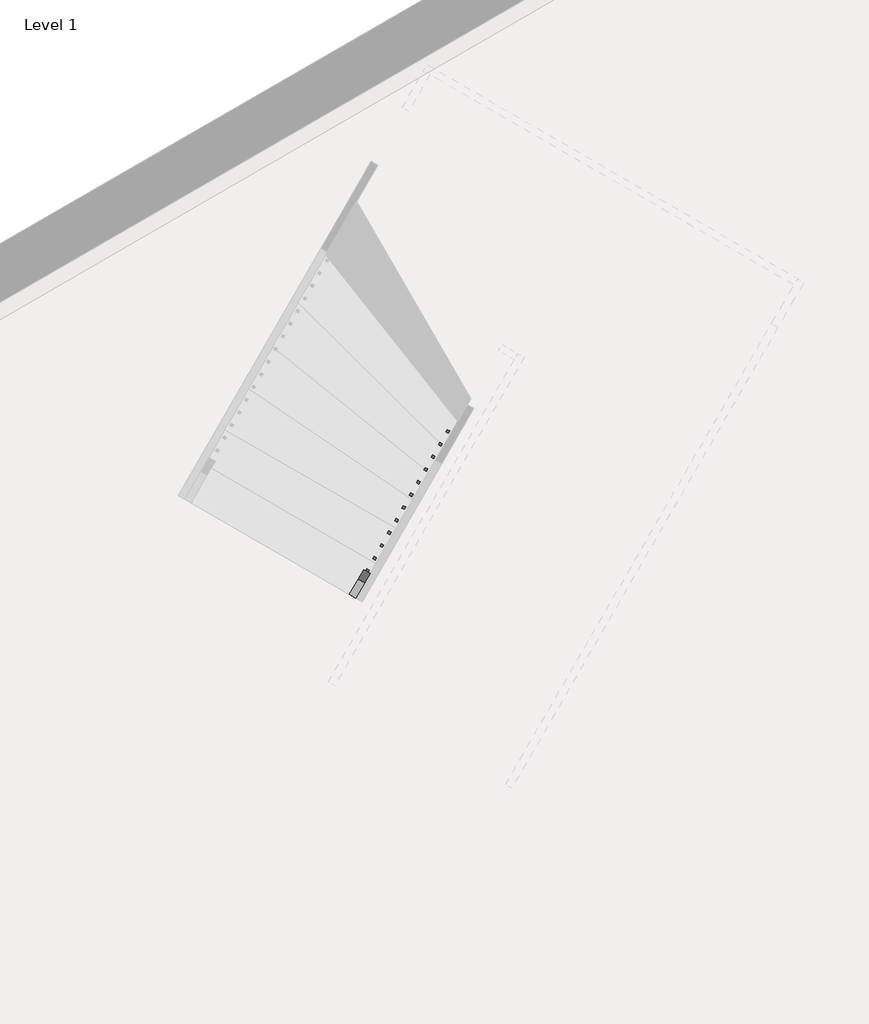
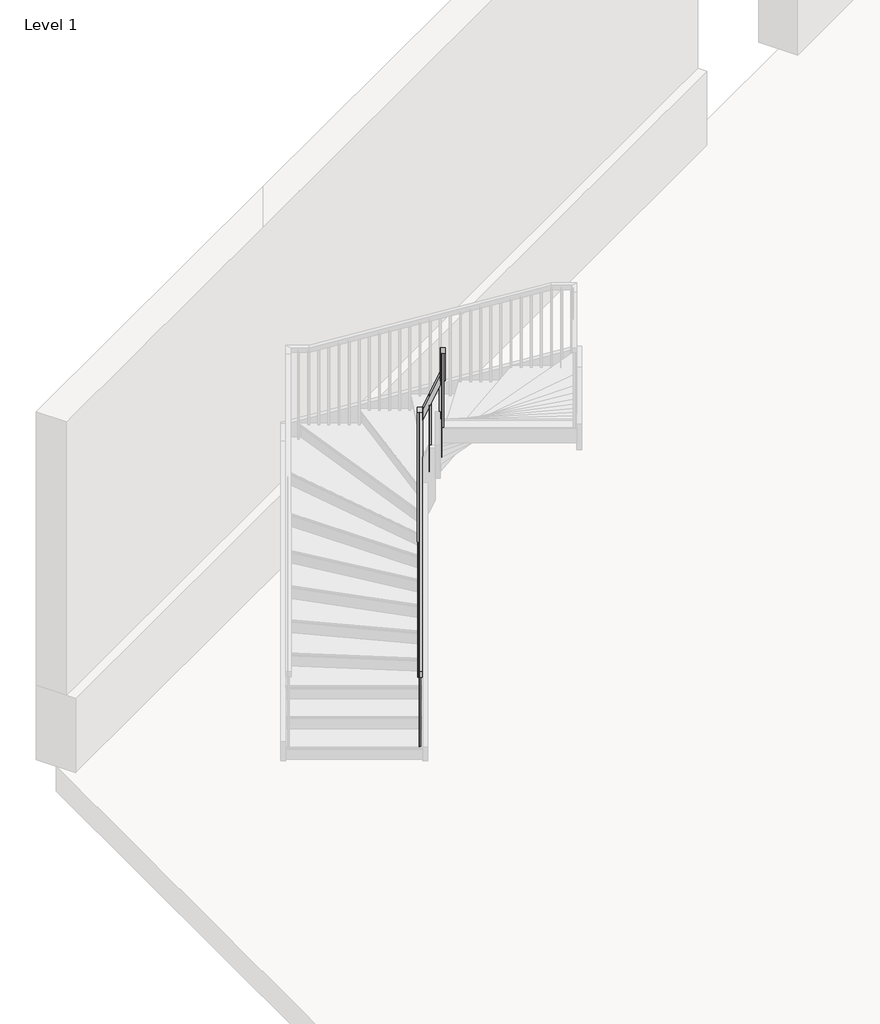
# One storey, part 5 of 6: 1 railing.
"""IFC4 building model written with IfcOpenShell, lengths in millimetres."""

from ifc_helpers import new_model, si_unit, frame, origin, place, context, project, spatial, polyline, outline, extrude, faceted_brep, element, save

model = new_model("IFC4")

# Units and contexts
model_context = context("Model", 3, world=origin())
ifc_project = project(units=[si_unit("LENGTHUNIT", "METRE", prefix="MILLI")], contexts=[model_context])

# Site, building, storey
site = spatial("IfcSite", under=ifc_project)
building = spatial("IfcBuilding", under=site)
storey = spatial("IfcBuildingStorey", under=building, Name="Level 1", Elevation=3048.0)

# Railing
placement = place(None, origin())
element("IfcRailing", 1, ObjectType="Handrail - Rectangular", at=placement, inside=storey, context=model_context, shape_type="SolidModel", body=[
    faceted_brep([(34014.7445548, -105247.8810454, 4138.2461538), (34014.7445548, -105247.8810454, 4070.1256213), (34058.7429103, -105273.2736568, 4070.1256213), (34058.7429103, -105273.2736568, 4138.2461538), (35013.3994654, -103517.4889589, 5923.1594253), (35023.0902639, -103500.6974918, 5872.3594253), (35067.0886194, -103526.0901032, 5872.3594253), (35057.3978209, -103542.8815702, 5923.1594253), (35056.3396329, -103443.0855535, 5923.1594253), (35100.3379884, -103468.4781649, 5923.1594253), (35100.3379884, -103468.4781649, 5872.3594253), (35056.3396329, -103443.0855535, 5872.3594253)], [[[0, 1, 2, 3]], [[1, 0, 4, 5]], [[2, 1, 5, 6]], [[3, 2, 6, 7]], [[0, 3, 7, 4]], [[8, 9, 10, 11]], [[5, 4, 8, 11]], [[6, 5, 11, 10]], [[7, 6, 10, 9]], [[4, 7, 9, 8]]]),
    faceted_brep([(35100.3379884, -103468.4781649, 5931.1386609), (35100.3379884, -103468.4781649, 5797.0722071), (35074.945377, -103512.4765204, 5797.0722071), (35074.945377, -103512.4765204, 5931.1386609), (35253.2433824, -103556.7239005, 6362.3105625), (35227.850771, -103600.722256, 6362.3105625), (35227.850771, -103600.722256, 6228.2441087), (35253.2433824, -103556.7239005, 6228.2441087)], [[[0, 1, 2, 3]], [[4, 5, 6, 7]], [[1, 0, 4, 7]], [[2, 1, 7, 6]], [[3, 2, 6, 5]], [[0, 3, 5, 4]]]),
    faceted_brep([(33954.6873083, -105908.39112, 8534.4), (33910.6889528, -105882.9985087, 8534.4), (33910.6889528, -105882.9985087, 8468.3438014), (33954.6873083, -105908.39112, 8468.3438014), (35244.9274311, -103672.7627016, 6322.924312), (35254.1024011, -103656.8650222, 6373.724312), (35200.9290756, -103647.3700902, 6322.924312), (35210.1040456, -103631.4724108, 6373.724312), (35297.2417379, -103582.1165118, 6373.724312), (35297.2417379, -103582.1165118, 6322.924312), (35253.2433824, -103556.7239005, 6322.924312), (35253.2433824, -103556.7239005, 6373.724312)], [[[0, 1, 2, 3]], [[4, 5, 0, 3]], [[6, 4, 3, 2]], [[7, 6, 2, 1]], [[5, 7, 1, 0]], [[8, 9, 10, 11]], [[9, 8, 5, 4]], [[10, 9, 4, 6]], [[11, 10, 6, 7]], [[8, 11, 7, 5]]]),
    extrude(outline(polyline([(236.5168117, -19.05), (220.6831883, 0.0), (1237.0891849, 0.0), (1237.0891849, -19.05), (236.5168117, -19.05)])), frame((33945.6190399, -105892.3446766, 8681.2430311), z_axis=(-0.8661093604012476, 0.4998545546709981, 0.0), x_axis=(0.0, 0.0, -1.0)), (0.0, 0.0, 1.0), 19.05),
    extrude(outline(polyline([(236.5168117, -19.05), (220.6831882, 0.0), (1152.6431932, 0.0), (1152.6431932, -19.05), (236.5168117, -19.05)])), frame((33996.4042626, -105804.3479656, 8596.7970394), z_axis=(-0.8661093604012476, 0.4998545546709981, 0.0), x_axis=(0.0, 0.0, -1.0)), (0.0, 0.0, 1.0), 19.05),
    extrude(outline(polyline([(236.5168118, -19.05), (220.6831883, 0.0), (1068.1972016, 0.0), (1068.1972016, -19.05), (236.5168118, -19.05)])), frame((34047.1894854, -105716.3512546, 8512.3510478), z_axis=(-0.8661093604012476, 0.4998545546709981, 0.0), x_axis=(0.0, 0.0, -1.0)), (0.0, 0.0, 1.0), 19.05),
    extrude(outline(polyline([(236.5168117, -19.05), (220.6831883, 0.0), (1159.5973638, 0.0), (1159.5973638, -19.05), (236.5168117, -19.05)])), frame((34097.9747081, -105628.3545436, 8427.9050561), z_axis=(-0.8661093604012476, 0.4998545546709981, 0.0), x_axis=(0.0, 0.0, -1.0)), (0.0, 0.0, 1.0), 19.05),
    extrude(outline(polyline([(236.5168117, -19.05), (220.6831883, 0.0), (1075.1513721, 0.0), (1075.1513721, -19.05), (236.5168117, -19.05)])), frame((34148.7599309, -105540.3578326, 8343.4590644), z_axis=(-0.8661093604012476, 0.4998545546709981, 0.0), x_axis=(0.0, 0.0, -1.0)), (0.0, 0.0, 1.0), 19.05),
    extrude(outline(polyline([(236.5168117, -19.05), (220.6831882, 0.0), (990.7053804, 0.0), (990.7053804, -19.05), (236.5168117, -19.05)])), frame((34199.5451536, -105452.3611215, 8259.0130727), z_axis=(-0.8661093604012476, 0.4998545546709981, 0.0), x_axis=(0.0, 0.0, -1.0)), (0.0, 0.0, 1.0), 19.05),
    extrude(outline(polyline([(236.5168118, -19.05), (220.6831883, 0.0), (1082.1055426, 0.0), (1082.1055426, -19.05), (236.5168118, -19.05)])), frame((34250.3303764, -105364.3644105, 8174.5670811), z_axis=(-0.8661093604012476, 0.4998545546709981, 0.0), x_axis=(0.0, 0.0, -1.0)), (0.0, 0.0, 1.0), 19.05),
    extrude(outline(polyline([(236.5168117, -19.05), (220.6831883, 0.0), (997.6595509, 0.0), (997.6595509, -19.05), (236.5168117, -19.05)])), frame((34301.1155991, -105276.3676995, 8090.1210894), z_axis=(-0.8661093604012476, 0.4998545546709981, 0.0), x_axis=(0.0, 0.0, -1.0)), (0.0, 0.0, 1.0), 19.05),
    extrude(outline(polyline([(236.5168117, -19.05), (220.6831883, 0.0), (1089.0597131, 0.0), (1089.0597131, -19.05), (236.5168117, -19.05)])), frame((34351.9008219, -105188.3709885, 8005.6750977), z_axis=(-0.8661093604012476, 0.4998545546709981, 0.0), x_axis=(0.0, 0.0, -1.0)), (0.0, 0.0, 1.0), 19.05),
    extrude(outline(polyline([(236.5168117, -19.05), (220.6831882, 0.0), (1004.6137214, 0.0), (1004.6137214, -19.05), (236.5168117, -19.05)])), frame((34402.6860446, -105100.3742775, 7921.229106), z_axis=(-0.8661093604012476, 0.4998545546709981, 0.0), x_axis=(0.0, 0.0, -1.0)), (0.0, 0.0, 1.0), 19.05),
    extrude(outline(polyline([(236.5168118, -19.0500001), (220.6831883, 0.0), (920.1677298, 0.0), (920.1677298, -19.0500001), (236.5168118, -19.0500001)])), frame((34453.4712674, -105012.3775665, 7836.7831144), z_axis=(-0.8661093604012476, 0.4998545546709981, 0.0), x_axis=(0.0, 0.0, -1.0)), (0.0, 0.0, 1.0), 19.05),
    extrude(outline(polyline([(236.5168117, -19.05), (220.6831883, 0.0), (1011.5678919, 0.0), (1011.5678919, -19.05), (236.5168117, -19.05)])), frame((34504.2564902, -104924.3808554, 7752.3371227), z_axis=(-0.8661093604012476, 0.4998545546709981, 0.0), x_axis=(0.0, 0.0, -1.0)), (0.0, 0.0, 1.0), 19.05),
    extrude(outline(polyline([(236.5168117, -19.05), (220.6831883, 0.0), (927.1219002, 0.0), (927.1219002, -19.05), (236.5168117, -19.05)])), frame((34555.0417129, -104836.3841444, 7667.891131), z_axis=(-0.8661093604012476, 0.4998545546709981, 0.0), x_axis=(0.0, 0.0, -1.0)), (0.0, 0.0, 1.0), 19.05),
    extrude(outline(polyline([(236.5168117, -19.05), (220.6831882, 0.0), (1018.5220624, 0.0), (1018.5220624, -19.05), (236.5168117, -19.05)])), frame((34605.8269357, -104748.3874334, 7583.4451393), z_axis=(-0.8661093604012476, 0.4998545546709981, 0.0), x_axis=(0.0, 0.0, -1.0)), (0.0, 0.0, 1.0), 19.05),
    extrude(outline(polyline([(236.5168118, -19.05), (220.6831883, 0.0), (934.0760708, 0.0), (934.0760708, -19.05), (236.5168118, -19.05)])), frame((34656.6121584, -104660.3907224, 7498.9991477), z_axis=(-0.8661093604012476, 0.4998545546709981, 0.0), x_axis=(0.0, 0.0, -1.0)), (0.0, 0.0, 1.0), 19.05),
    extrude(outline(polyline([(236.5168117, -19.05), (220.6831883, 0.0), (1025.4762329, 0.0), (1025.4762329, -19.05), (236.5168117, -19.05)])), frame((34707.3973812, -104572.3940114, 7414.553156), z_axis=(-0.8661093604012476, 0.4998545546709981, 0.0), x_axis=(0.0, 0.0, -1.0)), (0.0, 0.0, 1.0), 19.05),
    extrude(outline(polyline([(236.5168117, -19.0500001), (220.6831883, 0.0), (941.0302412, 0.0), (941.0302412, -19.0500001), (236.5168117, -19.0500001)])), frame((34758.1826039, -104484.3973004, 7330.1071643), z_axis=(-0.8661093604012476, 0.4998545546709981, 0.0), x_axis=(0.0, 0.0, -1.0)), (0.0, 0.0, 1.0), 19.05),
    extrude(outline(polyline([(236.5168117, -19.05), (220.6831882, 0.0), (856.5842495, 0.0), (856.5842495, -19.05), (236.5168117, -19.05)])), frame((34808.9678267, -104396.4005893, 7245.6611726), z_axis=(-0.8661093604012476, 0.4998545546709981, 0.0), x_axis=(0.0, 0.0, -1.0)), (0.0, 0.0, 1.0), 19.05),
    extrude(outline(polyline([(236.5168118, -19.05), (220.6831883, 0.0), (947.9844118, 0.0), (947.9844118, -19.05), (236.5168118, -19.05)])), frame((34859.7530494, -104308.4038783, 7161.215181), z_axis=(-0.8661093604012476, 0.4998545546709981, 0.0), x_axis=(0.0, 0.0, -1.0)), (0.0, 0.0, 1.0), 19.05),
    extrude(outline(polyline([(236.5168117, -19.05), (220.6831883, 0.0), (863.5384201, 0.0), (863.5384201, -19.05), (236.5168117, -19.05)])), frame((34910.5382722, -104220.4071673, 7076.7691893), z_axis=(-0.8661093604012476, 0.4998545546709981, 0.0), x_axis=(0.0, 0.0, -1.0)), (0.0, 0.0, 1.0), 19.05),
    extrude(outline(polyline([(236.5168117, -19.05), (220.6831883, 0.0), (954.9385822, 0.0), (954.9385822, -19.05), (236.5168117, -19.05)])), frame((34961.3234949, -104132.4104563, 6992.3231976), z_axis=(-0.8661093604012476, 0.4998545546709981, 0.0), x_axis=(0.0, 0.0, -1.0)), (0.0, 0.0, 1.0), 19.05),
    extrude(outline(polyline([(236.5168117, -19.05), (220.6831882, 0.0), (1046.3387444, 0.0), (1046.3387444, -19.05), (236.5168117, -19.05)])), frame((35012.1087177, -104044.4137453, 6907.8772059), z_axis=(-0.8661093604012476, 0.4998545546709981, 0.0), x_axis=(0.0, 0.0, -1.0)), (0.0, 0.0, 1.0), 19.05),
    extrude(outline(polyline([(236.5168118, -19.05), (220.6831883, 0.0), (961.8927528, 0.0), (961.8927528, -19.05), (236.5168118, -19.05)])), frame((35062.8939405, -103956.4170343, 6823.4312143), z_axis=(-0.8661093604012476, 0.4998545546709981, 0.0), x_axis=(0.0, 0.0, -1.0)), (0.0, 0.0, 1.0), 19.05),
    extrude(outline(polyline([(236.5168117, -19.05), (220.6831883, 0.0), (1053.2929149, 0.0), (1053.2929149, -19.05), (236.5168117, -19.05)])), frame((35113.6791632, -103868.4203232, 6738.9852226), z_axis=(-0.8661093604012476, 0.4998545546709981, 0.0), x_axis=(0.0, 0.0, -1.0)), (0.0, 0.0, 1.0), 19.05),
    extrude(outline(polyline([(236.5168117, -19.05), (220.6831883, 0.0), (1144.6930771, 0.0), (1144.6930771, -19.05), (236.5168117, -19.05)])), frame((35164.464386, -103780.4236122, 6654.5392309), z_axis=(-0.8661093604012476, 0.4998545546709981, 0.0), x_axis=(0.0, 0.0, -1.0)), (0.0, 0.0, 1.0), 19.05),
    extrude(outline(polyline([(236.5168117, -19.05), (220.6831882, 0.0), (1060.2470854, 0.0), (1060.2470854, -19.05), (236.5168117, -19.05)])), frame((35215.2496087, -103692.4269012, 6570.0932392), z_axis=(-0.8661093604012476, 0.4998545546709981, 0.0), x_axis=(0.0, 0.0, -1.0)), (0.0, 0.0, 1.0), 19.05),
    extrude(outline(polyline([(205.3370192, -19.05), (251.8629807, 0.0), (1125.9145148, 0.0), (1125.9145148, -19.05), (205.3370192, -19.05)])), frame((35228.6251207, -103582.8400595, 6459.9145148), z_axis=(0.4998545546710269, 0.8661093604012311, 0.0), x_axis=(0.0, 0.0, -1.0000000000000002)), (0.0, 0.0, 1.0), 19.05),
    extrude(outline(polyline([(205.3370192, -19.05), (251.8629808, 0.0), (1053.6222071, 0.0), (1053.6222071, -19.05), (205.3370192, -19.05)])), frame((35140.6284097, -103532.0548367, 6211.7760533), z_axis=(0.4998545546710269, 0.8661093604012311, 0.0), x_axis=(0.0, 0.0, -1.0000000000000002)), (0.0, 0.0, 1.0), 19.05),
    extrude(outline(polyline([(35055.9367647, -103513.6539371), (35039.4373814, -103504.1317078), (35048.9596106, -103487.6323245), (35065.4589939, -103497.1545538), (35055.9367647, -103513.6539371)])), frame((0.0, 0.0, 4982.3076923), z_axis=(0.0, 0.0, 1.0), x_axis=(1.0, 0.0, 0.0)), (0.0, 0.0, 1.0), 890.0517329),
    extrude(outline(polyline([(220.0903771, -19.05), (237.1096229, 0.0), (1216.8809905, 0.0), (1216.8809905, -19.05), (220.0903771, -19.05)])), frame((35005.1515419, -103601.6506481, 6023.342529), z_axis=(-0.8661093604012488, 0.49985455467099604, 0.0), x_axis=(0.0, 0.0, -1.0)), (0.0, 0.0, 1.0), 19.05),
    extrude(outline(polyline([(220.0903771, -19.05), (237.1096229, 0.0), (1301.9578334, 0.0), (1301.9578334, -19.05), (220.0903771, -19.05)])), frame((34954.3663192, -103689.6473591, 5932.573218), z_axis=(-0.8661093604012488, 0.49985455467099604, 0.0), x_axis=(0.0, 0.0, -1.0)), (0.0, 0.0, 1.0), 19.05),
    extrude(outline(polyline([(220.0903771, -19.05), (237.1096229, 0.0), (1211.1885225, 0.0), (1211.1885225, -19.05), (220.0903771, -19.05)])), frame((34903.5810964, -103777.6440701, 5841.8039071), z_axis=(-0.8661093604012488, 0.49985455467099604, 0.0), x_axis=(0.0, 0.0, -1.0)), (0.0, 0.0, 1.0), 19.05),
    extrude(outline(polyline([(220.0903771, -19.05), (237.1096229, 0.0), (1296.2653654, 0.0), (1296.2653654, -19.05), (220.0903771, -19.05)])), frame((34852.7958737, -103865.6407811, 5751.0345962), z_axis=(-0.8661093604012488, 0.49985455467099604, 0.0), x_axis=(0.0, 0.0, -1.0)), (0.0, 0.0, 1.0), 19.05),
    extrude(outline(polyline([(220.0903771, -19.0500001), (237.1096229, 0.0), (1381.3422083, 0.0), (1381.3422083, -19.0500001), (220.0903771, -19.0500001)])), frame((34802.0106509, -103953.6374922, 5660.2652852), z_axis=(-0.8661093604012488, 0.49985455467099604, 0.0), x_axis=(0.0, 0.0, -1.0)), (0.0, 0.0, 1.0), 19.05),
    extrude(outline(polyline([(220.0903771, -19.05), (237.1096229, 0.0), (1290.5728974, 0.0), (1290.5728974, -19.05), (220.0903771, -19.05)])), frame((34751.2254281, -104041.6342032, 5569.4959743), z_axis=(-0.8661093604012488, 0.49985455467099604, 0.0), x_axis=(0.0, 0.0, -1.0)), (0.0, 0.0, 1.0), 19.05),
    extrude(outline(polyline([(220.0903771, -19.05), (237.1096229, 0.0), (1375.6497403, 0.0), (1375.6497403, -19.05), (220.0903771, -19.05)])), frame((34700.4402054, -104129.6309142, 5478.7266634), z_axis=(-0.8661093604012488, 0.49985455467099604, 0.0), x_axis=(0.0, 0.0, -1.0)), (0.0, 0.0, 1.0), 19.05),
    extrude(outline(polyline([(220.0903771, -19.05), (237.1096229, 0.0), (1460.7265833, 0.0), (1460.7265833, -19.05), (220.0903771, -19.05)])), frame((34649.6549826, -104217.6276252, 5387.9573525), z_axis=(-0.8661093604012488, 0.49985455467099604, 0.0), x_axis=(0.0, 0.0, -1.0)), (0.0, 0.0, 1.0), 19.05),
    extrude(outline(polyline([(220.0903771, -19.05), (237.1096229, 0.0), (1369.9572723, 0.0), (1369.9572723, -19.05), (220.0903771, -19.05)])), frame((34598.8697599, -104305.6243362, 5297.1880415), z_axis=(-0.8661093604012488, 0.49985455467099604, 0.0), x_axis=(0.0, 0.0, -1.0)), (0.0, 0.0, 1.0), 19.05),
    extrude(outline(polyline([(220.0903771, -19.05), (237.1096229, 0.0), (1279.1879614, 0.0), (1279.1879614, -19.05), (220.0903771, -19.05)])), frame((34548.0845371, -104393.6210472, 5206.4187306), z_axis=(-0.8661093604012488, 0.49985455467099604, 0.0), x_axis=(0.0, 0.0, -1.0)), (0.0, 0.0, 1.0), 19.05),
    extrude(outline(polyline([(220.0903771, -19.05), (237.1096229, 0.0), (1364.2648043, 0.0), (1364.2648043, -19.05), (220.0903771, -19.05)])), frame((34497.2993144, -104481.6177583, 5115.6494197), z_axis=(-0.8661093604012488, 0.49985455467099604, 0.0), x_axis=(0.0, 0.0, -1.0)), (0.0, 0.0, 1.0), 19.05),
    extrude(outline(polyline([(220.0903771, -19.05), (237.1096229, 0.0), (1273.4954933, 0.0), (1273.4954933, -19.05), (220.0903771, -19.05)])), frame((34446.5140916, -104569.6144693, 5024.8801087), z_axis=(-0.8661093604012488, 0.49985455467099604, 0.0), x_axis=(0.0, 0.0, -1.0)), (0.0, 0.0, 1.0), 19.05),
    extrude(outline(polyline([(220.0903771, -19.05), (237.1096229, 0.0), (1358.5723363, 0.0), (1358.5723363, -19.05), (220.0903771, -19.05)])), frame((34395.7288689, -104657.6111803, 4934.1107978), z_axis=(-0.8661093604012488, 0.49985455467099604, 0.0), x_axis=(0.0, 0.0, -1.0)), (0.0, 0.0, 1.0), 19.05),
    extrude(outline(polyline([(220.0903771, -19.05), (237.1096229, 0.0), (1267.8030254, 0.0), (1267.8030254, -19.05), (220.0903771, -19.05)])), frame((34344.9436461, -104745.6078913, 4843.3414869), z_axis=(-0.8661093604012488, 0.49985455467099604, 0.0), x_axis=(0.0, 0.0, -1.0)), (0.0, 0.0, 1.0), 19.05),
    extrude(outline(polyline([(220.0903771, -19.05), (237.1096229, 0.0), (1352.8798683, 0.0), (1352.8798683, -19.05), (220.0903771, -19.05)])), frame((34294.1584234, -104833.6046023, 4752.572176), z_axis=(-0.8661093604012488, 0.49985455467099604, 0.0), x_axis=(0.0, 0.0, -1.0)), (0.0, 0.0, 1.0), 19.05),
    extrude(outline(polyline([(220.0903771, -19.05), (237.1096229, 0.0), (1262.1105573, 0.0), (1262.1105573, -19.05), (220.0903771, -19.05)])), frame((34243.3732006, -104921.6013133, 4661.802865), z_axis=(-0.8661093604012488, 0.49985455467099604, 0.0), x_axis=(0.0, 0.0, -1.0)), (0.0, 0.0, 1.0), 19.05),
    extrude(outline(polyline([(220.0903771, -19.0500001), (237.1096229, 0.0), (1171.3412464, 0.0), (1171.3412464, -19.0500001), (220.0903771, -19.0500001)])), frame((34192.5879778, -105009.5980244, 4571.0335541), z_axis=(-0.8661093604012488, 0.49985455467099604, 0.0), x_axis=(0.0, 0.0, -1.0)), (0.0, 0.0, 1.0), 19.05),
    extrude(outline(polyline([(220.0903771, -19.05), (237.1096229, 0.0), (1256.4180894, 0.0), (1256.4180894, -19.05), (220.0903771, -19.05)])), frame((34141.8027551, -105097.5947354, 4480.2642432), z_axis=(-0.8661093604012488, 0.49985455467099604, 0.0), x_axis=(0.0, 0.0, -1.0)), (0.0, 0.0, 1.0), 19.05),
    extrude(outline(polyline([(220.0903771, -19.05), (237.1096229, 0.0), (1165.6487784, 0.0), (1165.6487784, -19.05), (220.0903771, -19.05)])), frame((34091.0175323, -105185.5914464, 4389.4949322), z_axis=(-0.8661093604012488, 0.49985455467099604, 0.0), x_axis=(0.0, 0.0, -1.0)), (0.0, 0.0, 1.0), 19.05),
    extrude(outline(polyline([(205.3370193, -19.05), (251.8629808, 0.0), (1184.8787241, 0.0), (1184.8787241, -19.05), (205.3370193, -19.05)])), frame((35249.5354482, -103594.9079609, 6518.8787241), z_axis=(0.4998545546710269, 0.8661093604012311, 0.0), x_axis=(0.0, 0.0, -1.0000000000000002)), (0.0, 0.0, 1.0), 19.05),
    extrude(outline(polyline([(35069.131082, -103490.7918432), (35052.6316987, -103481.269614), (35062.1539279, -103464.7702306), (35078.6533113, -103474.2924599), (35069.131082, -103490.7918432)])), frame((0.0, 0.0, 4982.3076923), z_axis=(0.0, 0.0, 1.0), x_axis=(1.0, 0.0, 0.0)), (0.0, 0.0, 1.0), 890.0517329),
    extrude(outline(polyline([(236.5168117, -19.05), (220.6831882, 0.0), (1244.8731434, 0.0), (1244.8731434, -19.05), (236.5168117, -19.05)])), frame((33940.9378222, -105900.455929, 8689.0269896), z_axis=(-0.8661093604012476, 0.4998545546709981, 0.0), x_axis=(0.0, 0.0, -1.0)), (0.0, 0.0, 1.0), 19.05),
    extrude(outline(polyline([(220.0903771, -19.05), (237.1096229, 0.0), (1083.3890904, 0.0), (1083.3890904, -19.05), (220.0903771, -19.05)])), frame((34044.9934242, -105265.3384657, 4307.2352442), z_axis=(-0.8661093604012488, 0.49985455467099604, 0.0), x_axis=(0.0, 0.0, -1.0)), (0.0, 0.0, 1.0), 19.05),
])

save(model, "model.ifc")
